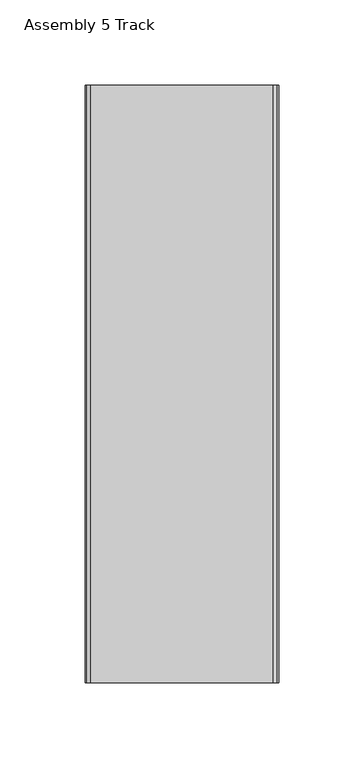
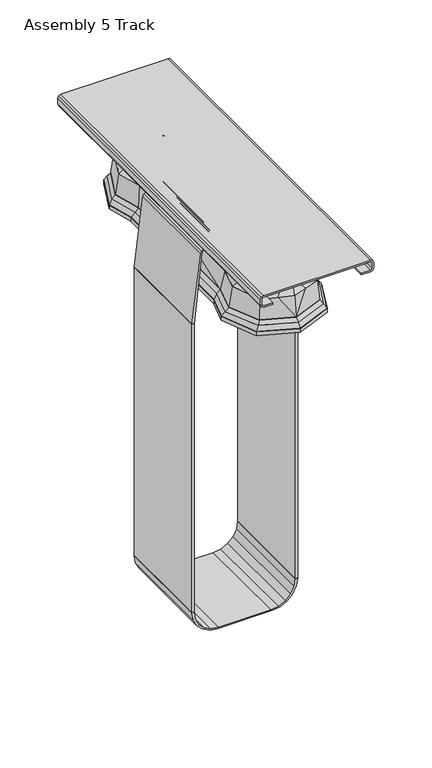
"""IFC4 building model written with IfcOpenShell, lengths in millimetres: furniture geometry, Assembly 5 Track."""

from ifc_helpers import new_model, si_unit, point, frame, frame_2d, origin, origin_2d, place, context, project, spatial, polyline, circle_curve, trimmed, segment, composite_curve, outline, extrude, faceted_brep, source, transform, mapped, element, save
from ifc_brep_helpers import plane_surface, spline_surface, advanced_brep


def assembly_5_track_8673b42d(model_context):
    return source(origin(), model_context, "Body", "SolidModel", [
        advanced_brep(
        [(-17.2873897, -117.3429758, 667.74666), (-4.8963072, -124.2971026, 667.74666), (4.8963072, -124.2971026, 667.74666), (17.2873897, -117.3429758, 667.74666), (24.3267209, -99.6999939, 667.74666), (30.2100866, -74.7228336, 667.74666), (30.2100866, 0.0, 667.74666), (30.2100866, 74.7228336, 667.74666), (24.3267209, 99.6999939, 667.74666), (17.2873897, 117.3429758, 667.74666), (4.8963072, 124.2971026, 667.74666), (-4.8963072, 124.2971026, 667.74666), (-17.2873897, 117.3429758, 667.74666), (-24.3267209, 99.6999939, 667.74666), (-30.2100866, 74.7228336, 667.74666), (-30.2100866, 0.0, 667.74666), (-30.2100866, -74.7228336, 667.74666), (-24.3267209, -99.6999939, 667.74666), (-28.5698871, -126.5841996, 659.1214921), (-39.8376291, -97.9798772, 659.1214921), (-33.3850866, -74.2980338, 659.1214921), (-33.3850866, 0.0, 659.1214921), (-33.3850866, 74.2980338, 659.1214921), (-39.8376291, 97.9798772, 659.1214921), (-28.5698871, 126.5841996, 659.1214921), (-13.8886918, 132.4223788, 659.1214921), (0.0, 136.9559961, 659.1214921), (13.8886918, 132.4223788, 659.1214921), (28.5698871, 126.5841996, 659.1214921), (39.8376291, 97.9798772, 659.1214921), (33.3850866, 74.2980338, 659.1214921), (33.3850866, 0.0, 659.1214921), (33.3850866, -74.2980338, 659.1214921), (39.8376291, -97.9798772, 659.1214921), (28.5698871, -126.5841996, 659.1214921), (13.8886918, -132.4223788, 659.1214921), (0.0, -136.9559961, 659.1214921), (-13.8886918, -132.4223788, 659.1214921)],
        [
            (0, 1),
            (1, 2),
            (2, 3),
            (3, 4),
            (4, 5),
            (5, 6),
            (6, 7),
            (7, 8),
            (8, 9),
            (9, 10),
            (10, 11),
            (11, 12),
            (12, 13),
            (13, 14),
            (14, 15),
            (15, 16),
            (16, 17),
            (17, 0),
            (18, 19),
            (19, 20),
            (20, 21),
            (21, 22),
            (22, 23),
            (23, 24),
            (24, 25),
            (25, 26),
            (26, 27),
            (27, 28),
            (28, 29),
            (29, 30),
            (30, 31),
            (31, 32),
            (32, 33),
            (33, 34),
            (34, 35),
            (35, 36),
            (36, 37),
            (37, 18),
            (26, 10),
            (10, 27),
            (35, 2),
            (2, 36),
            (37, 1),
            (0, 18),
            (34, 3),
            (33, 4),
            (32, 5),
            (31, 6),
            (30, 7),
            (29, 8),
            (28, 9),
            (25, 11),
            (24, 12),
            (23, 13),
            (22, 14),
            (21, 15),
            (20, 16),
            (19, 17),
        ],
        [
            plane_surface(frame((0.0, 0.0, 667.74666), z_axis=(0.0, 0.0, 1.0), x_axis=(-0.8720519854537111, -0.4894132555072866, 0.0))),
            plane_surface(frame((0.0, 0.0, 659.1214921), z_axis=(0.0, 0.0, -1.0), x_axis=(-0.8720519854537111, -0.4894132555072866, 0.0))),
            plane_surface(frame((6.9443459, 134.6891874, 659.1214921), z_axis=(0.1968054426729843, 0.6029115340875425, 0.7731528308158078), x_axis=(-0.9506350557655162, 0.3103111192814303, 0.0))),
            plane_surface(frame((6.9443459, -134.6891874, 659.1214921), z_axis=(0.19680544267305358, -0.6029115340874944, 0.7731528308158275), x_axis=(0.9506350557654767, 0.31031111928155136, 0.0))),
            spline_surface(1, 1, [[(-28.5698871, -126.5841996, 659.1214921), (-17.2873897, -117.3429758, 667.74666)], [(-13.8886918, -132.4223788, 659.1214921), (-4.8963072, -124.2971026, 667.74666)]], [2, 2], [2, 2], [0.0, 1.0], [0.0, 1.0]),
            spline_surface(1, 1, [[(-13.8886918, -132.4223788, 659.1214921), (-4.8963072, -124.2971026, 667.74666)], [(0.0, -136.9559961, 659.1214921), (4.8963072, -124.2971026, 667.74666)]], [2, 2], [2, 2], [0.0, 1.0], [0.0, 1.0]),
            spline_surface(1, 1, [[(13.8886918, -132.4223788, 659.1214921), (4.8963072, -124.2971026, 667.74666)], [(28.5698871, -126.5841996, 659.1214921), (17.2873897, -117.3429758, 667.74666)]], [2, 2], [2, 2], [0.0, 1.0], [0.0, 1.0]),
            spline_surface(1, 1, [[(28.5698871, -126.5841996, 659.1214921), (17.2873897, -117.3429758, 667.74666)], [(39.8376291, -97.9798772, 659.1214921), (24.3267209, -99.6999939, 667.74666)]], [2, 2], [2, 2], [0.0, 1.0], [0.0, 1.0]),
            spline_surface(1, 1, [[(39.8376291, -97.9798772, 659.1214921), (24.3267209, -99.6999939, 667.74666)], [(33.3850866, -74.2980338, 659.1214921), (30.2100866, -74.7228336, 667.74666)]], [2, 2], [2, 2], [0.0, 1.0], [0.0, 1.0]),
            plane_surface(frame((33.3850866, -37.1490169, 659.1214921), z_axis=(0.9384381447550459, 0.0, 0.3454473164879234), x_axis=(0.0, 1.0, 0.0))),
            plane_surface(frame((33.3850866, 37.1490169, 659.1214921), z_axis=(0.9384381447550459, 0.0, 0.3454473164879234), x_axis=(0.0, 1.0, 0.0))),
            spline_surface(1, 1, [[(33.3850866, 74.2980338, 659.1214921), (30.2100866, 74.7228336, 667.74666)], [(39.8376291, 97.9798772, 659.1214921), (24.3267209, 99.6999939, 667.74666)]], [2, 2], [2, 2], [0.0, 1.0], [0.0, 1.0]),
            spline_surface(1, 1, [[(39.8376291, 97.9798772, 659.1214921), (24.3267209, 99.6999939, 667.74666)], [(28.5698871, 126.5841996, 659.1214921), (17.2873897, 117.3429758, 667.74666)]], [2, 2], [2, 2], [0.0, 1.0], [0.0, 1.0]),
            spline_surface(1, 1, [[(28.5698871, 126.5841996, 659.1214921), (17.2873897, 117.3429758, 667.74666)], [(13.8886918, 132.4223788, 659.1214921), (4.8963072, 124.2971026, 667.74666)]], [2, 2], [2, 2], [0.0, 1.0], [0.0, 1.0]),
            spline_surface(1, 1, [[(0.0, 136.9559961, 659.1214921), (4.8963072, 124.2971026, 667.74666)], [(-13.8886918, 132.4223788, 659.1214921), (-4.8963072, 124.2971026, 667.74666)]], [2, 2], [2, 2], [0.0, 1.0], [0.0, 1.0]),
            spline_surface(1, 1, [[(-13.8886918, 132.4223788, 659.1214921), (-4.8963072, 124.2971026, 667.74666)], [(-28.5698871, 126.5841996, 659.1214921), (-17.2873897, 117.3429758, 667.74666)]], [2, 2], [2, 2], [0.0, 1.0], [0.0, 1.0]),
            spline_surface(1, 1, [[(-28.5698871, 126.5841996, 659.1214921), (-17.2873897, 117.3429758, 667.74666)], [(-39.8376291, 97.9798772, 659.1214921), (-24.3267209, 99.6999939, 667.74666)]], [2, 2], [2, 2], [0.0, 1.0], [0.0, 1.0]),
            spline_surface(1, 1, [[(-39.8376291, 97.9798772, 659.1214921), (-24.3267209, 99.6999939, 667.74666)], [(-33.3850866, 74.2980338, 659.1214921), (-30.2100866, 74.7228336, 667.74666)]], [2, 2], [2, 2], [0.0, 1.0], [0.0, 1.0]),
            plane_surface(frame((-33.3850866, 37.1490169, 659.1214921), z_axis=(-0.9384381447550442, 0.0, 0.34544731648792826), x_axis=(0.0, -1.0, 0.0))),
            plane_surface(frame((-33.3850866, -37.1490169, 659.1214921), z_axis=(-0.9384381447550442, 0.0, 0.34544731648792826), x_axis=(0.0, -1.0, 0.0))),
            spline_surface(1, 1, [[(-33.3850866, -74.2980338, 659.1214921), (-30.2100866, -74.7228336, 667.74666)], [(-39.8376291, -97.9798772, 659.1214921), (-24.3267209, -99.6999939, 667.74666)]], [2, 2], [2, 2], [0.0, 1.0], [0.0, 1.0]),
            spline_surface(1, 1, [[(-39.8376291, -97.9798772, 659.1214921), (-24.3267209, -99.6999939, 667.74666)], [(-28.5698871, -126.5841996, 659.1214921), (-17.2873897, -117.3429758, 667.74666)]], [2, 2], [2, 2], [0.0, 1.0], [0.0, 1.0]),
        ],
        [
            (0, [[1, 2, 3, 4, 5, 6, 7, 8, 9, 10, 11, 12, 13, 14, 15, 16, 17, 18]]),
            (1, [[19, 20, 21, 22, 23, 24, 25, 26, 27, 28, 29, 30, 31, 32, 33, 34, 35, 36, 37, 38]]),
            (2, [[-27, 39, 40]]),
            (3, [[-36, 41, 42]]),
            (4, [[-38, 43, -1, 44]]),
            (5, [[-37, -42, -2, -43]]),
            (6, [[-35, 45, -3, -41]]),
            (7, [[-34, 46, -4, -45]]),
            (8, [[-33, 47, -5, -46]]),
            (9, [[-32, 48, -6, -47]]),
            (10, [[-31, 49, -7, -48]]),
            (11, [[-30, 50, -8, -49]]),
            (12, [[-29, 51, -9, -50]]),
            (13, [[-28, -40, -10, -51]]),
            (14, [[-26, 52, -11, -39]]),
            (15, [[-25, 53, -12, -52]]),
            (16, [[-24, 54, -13, -53]]),
            (17, [[-23, 55, -14, -54]]),
            (18, [[-22, 56, -15, -55]]),
            (19, [[-21, 57, -16, -56]]),
            (20, [[-20, 58, -17, -57]]),
            (21, [[-19, -44, -18, -58]]),
        ],
    ),
        extrude(outline(polyline([(-17.0268792, 17.058371), (-0.0310427, 24.0982768), (16.9647937, 17.058371), (24.0046995, 0.0625346), (16.9647937, -16.9333019), (-0.0310427, -23.9732076), (-17.0268792, -16.9333019), (-24.0667849, 0.0625346), (-17.0268792, 17.058371)])), frame((0.0, 0.0, 676.3229135), z_axis=(0.0, 0.0, 1.0), x_axis=(1.0, 0.0, 0.0)), (0.0, 0.0, 1.0), 3.7426452),
        advanced_brep(
        [(-12.2215775, 92.9573778, 671.6981426), (-3.2362175, 98.000144, 671.6981426), (3.2362175, 98.000144, 671.6981426), (12.2215775, 92.9573778, 671.6981426), (18.2540278, 77.8379852, 671.6981426), (24.9849067, 49.262804, 671.6981426), (24.9849067, 0.0, 671.6981426), (24.9849067, -49.262804, 671.6981426), (18.2540278, -77.8379852, 671.6981426), (12.2215775, -92.9573778, 671.6981426), (3.2362175, -98.000144, 671.6981426), (-3.2362175, -98.000144, 671.6981426), (-12.2215775, -92.9573778, 671.6981426), (-18.2540278, -77.8379852, 671.6981426), (-25.1098867, -48.7322156, 671.6981426), (-25.1098867, 0.0, 671.6981426), (-25.1098867, 48.7322156, 671.6981426), (-18.2540278, 77.8379852, 671.6981426), (-17.0268792, 17.058371, 676.3229135), (-24.0667849, 0.0625346, 676.3229135), (-17.0268792, -16.9333019, 676.3229135), (-0.0310427, -23.9732076, 676.3229135), (16.9647937, -16.9333019, 676.3229135), (24.0046995, 0.0625346, 676.3229135), (16.9647937, 17.058371, 676.3229135), (-0.0310427, 24.0982768, 676.3229135)],
        [
            (0, 1),
            (1, 2),
            (2, 3),
            (3, 4),
            (4, 5),
            (5, 6),
            (6, 7),
            (7, 8),
            (8, 9),
            (9, 10),
            (10, 11),
            (11, 12),
            (12, 13),
            (13, 14),
            (14, 15),
            (15, 16),
            (16, 17),
            (17, 0),
            (18, 19),
            (19, 20),
            (20, 21),
            (21, 22),
            (22, 23),
            (23, 24),
            (24, 25),
            (25, 18),
            (6, 23),
            (23, 7),
            (23, 8),
            (22, 9),
            (21, 10),
            (21, 11),
            (20, 12),
            (19, 13),
            (19, 14),
            (19, 15),
            (25, 1),
            (0, 18),
            (25, 2),
            (24, 3),
            (23, 4),
            (23, 5),
            (19, 16),
            (19, 17),
        ],
        [
            plane_surface(frame((-0.02083, 0.0, 671.6981426), z_axis=(0.0, 0.0, -1.0), x_axis=(0.2292751653209322, -0.9733616483954252, 0.0))),
            plane_surface(frame((-0.0310427, 0.0625346, 676.3229135), z_axis=(0.0, 0.0, 1.0), x_axis=(0.2292751653209322, -0.9733616483954252, 0.0))),
            plane_surface(frame((24.0046995, 0.0625346, 676.3229135), z_axis=(0.9782686660565723, 0.0, 0.20734130560960282), x_axis=(0.0, -1.0, 0.0))),
            plane_surface(frame((24.0046995, 0.0625346, 676.3229135), z_axis=(0.34346769085420936, -0.08090375425496898, 0.9356733018990812), x_axis=(-0.2292751653209367, -0.973361648395424, 0.0))),
            spline_surface(1, 1, [[(24.0046995, 0.0625346, 676.3229135), (18.2540278, -77.8379852, 671.6981426)], [(16.9647937, -16.9333019, 676.3229135), (12.2215775, -92.9573778, 671.6981426)]], [2, 2], [2, 2], [0.0, 1.0], [0.0, 1.0]),
            spline_surface(1, 1, [[(16.9647937, -16.9333019, 676.3229135), (12.2215775, -92.9573778, 671.6981426)], [(-0.0310427, -23.9732076, 676.3229135), (3.2362175, -98.000144, 671.6981426)]], [2, 2], [2, 2], [0.0, 1.0], [0.0, 1.0]),
            plane_surface(frame((-0.0310427, -23.9732076, 676.3229135), z_axis=(0.0, -0.06235259879274023, 0.9980541836111864), x_axis=(-1.0, 0.0, 0.0))),
            spline_surface(1, 1, [[(-0.0310427, -23.9732076, 676.3229135), (-3.2362175, -98.000144, 671.6981426)], [(-17.0268792, -16.9333019, 676.3229135), (-12.2215775, -92.9573778, 671.6981426)]], [2, 2], [2, 2], [0.0, 1.0], [0.0, 1.0]),
            spline_surface(1, 1, [[(-17.0268792, -16.9333019, 676.3229135), (-12.2215775, -92.9573778, 671.6981426)], [(-24.0667849, 0.0625346, 676.3229135), (-18.2540278, -77.8379852, 671.6981426)]], [2, 2], [2, 2], [0.0, 1.0], [0.0, 1.0]),
            plane_surface(frame((-24.0667849, 0.0625346, 676.3229135), z_axis=(-0.3449554713380619, -0.08125420068663781, 0.9350954377306689), x_axis=(-0.2292751653209322, 0.9733616483954252, 0.0))),
            plane_surface(frame((-24.0667849, 0.0625346, 676.3229135), z_axis=(-0.9754954124755818, 0.0, 0.22001977238215342), x_axis=(0.0, 1.0, 0.0))),
            spline_surface(1, 1, [[(-17.0268792, 17.058371, 676.3229135), (-12.2215775, 92.9573778, 671.6981426)], [(-0.0310427, 24.0982768, 676.3229135), (-3.2362175, 98.000144, 671.6981426)]], [2, 2], [2, 2], [0.0, 1.0], [0.0, 1.0]),
            plane_surface(frame((-0.0310427, 24.0982768, 676.3229135), z_axis=(0.0, 0.062457711032967066, 0.9980476112553561), x_axis=(1.0, 0.0, 0.0))),
            spline_surface(1, 1, [[(-0.0310427, 24.0982768, 676.3229135), (3.2362175, 98.000144, 671.6981426)], [(16.9647937, 17.058371, 676.3229135), (12.2215775, 92.9573778, 671.6981426)]], [2, 2], [2, 2], [0.0, 1.0], [0.0, 1.0]),
            spline_surface(1, 1, [[(16.9647937, 17.058371, 676.3229135), (12.2215775, 92.9573778, 671.6981426)], [(24.0046995, 0.0625346, 676.3229135), (18.2540278, 77.8379852, 671.6981426)]], [2, 2], [2, 2], [0.0, 1.0], [0.0, 1.0]),
            plane_surface(frame((24.0046995, 0.0625346, 676.3229135), z_axis=(0.34417216535329037, 0.0810696930994949, 0.9354000349886573), x_axis=(0.229275165320935, -0.9733616483954245, 0.0))),
            plane_surface(frame((24.0046995, 0.0625346, 676.3229135), z_axis=(0.9782686660565724, 0.0, 0.20734130560960284), x_axis=(0.0, -1.0, 0.0))),
            plane_surface(frame((-24.0667849, 0.0625346, 676.3229135), z_axis=(-0.9754954124755818, 0.0, 0.2200197723821534), x_axis=(0.0, 1.0, 0.0))),
            plane_surface(frame((-24.0667849, 0.0625346, 676.3229135), z_axis=(-0.34566562725375377, 0.08142147778785057, 0.9348186011682222), x_axis=(0.22927516532093598, 0.9733616483954243, 0.0))),
            spline_surface(1, 1, [[(-24.0667849, 0.0625346, 676.3229135), (-18.2540278, 77.8379852, 671.6981426)], [(-17.0268792, 17.058371, 676.3229135), (-12.2215775, 92.9573778, 671.6981426)]], [2, 2], [2, 2], [0.0, 1.0], [0.0, 1.0]),
        ],
        [
            (0, [[1, 2, 3, 4, 5, 6, 7, 8, 9, 10, 11, 12, 13, 14, 15, 16, 17, 18]]),
            (1, [[19, 20, 21, 22, 23, 24, 25, 26]]),
            (2, [[-7, 27, 28]]),
            (3, [[-8, -28, 29]]),
            (4, [[-23, 30, -9, -29]]),
            (5, [[-22, 31, -10, -30]]),
            (6, [[-11, -31, 32]]),
            (7, [[-21, 33, -12, -32]]),
            (8, [[-20, 34, -13, -33]]),
            (9, [[-14, -34, 35]]),
            (10, [[-15, -35, 36]]),
            (11, [[-26, 37, -1, 38]]),
            (12, [[-2, -37, 39]]),
            (13, [[-25, 40, -3, -39]]),
            (14, [[-24, 41, -4, -40]]),
            (15, [[-5, -41, 42]]),
            (16, [[-6, -42, -27]]),
            (17, [[-16, -36, 43]]),
            (18, [[-17, -43, 44]]),
            (19, [[-19, -38, -18, -44]]),
        ],
    ),
        faceted_brep([(-24.3267209, 99.6999939, 667.74666), (-17.2873897, 117.3429758, 667.74666), (-4.8963072, 124.2971026, 667.74666), (4.8963072, 124.2971026, 667.74666), (17.2873897, 117.3429758, 667.74666), (24.3267209, 99.6999939, 667.74666), (30.2100866, 74.7228336, 667.74666), (30.2100866, 0.0, 667.74666), (30.2100866, -74.7228336, 667.74666), (24.3267209, -99.6999939, 667.74666), (17.2873897, -117.3429758, 667.74666), (4.8963072, -124.2971026, 667.74666), (-4.8963072, -124.2971026, 667.74666), (-17.2873897, -117.3429758, 667.74666), (-24.3267209, -99.6999939, 667.74666), (-30.2100866, -74.7228336, 667.74666), (-30.2100866, 0.0, 667.74666), (-30.2100866, 74.7228336, 667.74666), (-18.2540278, 77.8379852, 671.6981426), (-25.1098867, 48.7322156, 671.6981426), (-25.1098867, 0.0, 671.6981426), (-25.1098867, -48.7322156, 671.6981426), (-18.2540278, -77.8379852, 671.6981426), (-12.2215775, -92.9573778, 671.6981426), (-3.2362175, -98.000144, 671.6981426), (3.2362175, -98.000144, 671.6981426), (12.2215775, -92.9573778, 671.6981426), (18.2540278, -77.8379852, 671.6981426), (24.9849067, -49.262804, 671.6981426), (24.9849067, 0.0, 671.6981426), (24.9849067, 49.262804, 671.6981426), (18.2540278, 77.8379852, 671.6981426), (12.2215775, 92.9573778, 671.6981426), (3.2362175, 98.000144, 671.6981426), (-3.2362175, 98.000144, 671.6981426), (-12.2215775, 92.9573778, 671.6981426)], [[[0, 1, 2, 3, 4, 5, 6, 7, 8, 9, 10, 11, 12, 13, 14, 15, 16, 17]], [[18, 19, 20, 21, 22, 23, 24, 25, 26, 27, 28, 29, 30, 31, 32, 33, 34, 35]], [[18, 35, 1, 0]], [[35, 34, 2, 1]], [[34, 33, 3, 2]], [[33, 32, 4, 3]], [[32, 31, 5, 4]], [[31, 30, 6, 5]], [[30, 29, 7, 6]], [[29, 28, 8, 7]], [[28, 27, 9, 8]], [[27, 26, 10, 9]], [[26, 25, 11, 10]], [[25, 24, 12, 11]], [[24, 23, 13, 12]], [[23, 22, 14, 13]], [[22, 21, 15, 14]], [[21, 20, 16, 15]], [[20, 19, 17, 16]], [[19, 18, 0, 17]]]),
        faceted_brep([(-30.3022334, 128.1602075, 638.3884218), (-43.4431033, 98.1638447, 638.3884218), (-36.1041447, 71.2287153, 638.3884218), (-36.1041447, -71.2287153, 638.3884218), (-43.4220932, -98.0867346, 638.3884218), (-30.3022334, -128.0351384, 638.3884218), (-0.0310427, -140.3357292, 638.3884218), (30.2401479, -128.0351384, 638.3884218), (43.3982859, -97.999358, 638.3884218), (36.1041447, -71.2287153, 638.3884218), (36.1041447, 71.2287153, 638.3884218), (43.4192959, 98.0764681, 638.3884218), (30.2401479, 128.1602075, 638.3884218), (-0.0310427, 140.4607984, 638.3884218), (-32.6927164, 130.6159575, 634.9820621), (-0.0310427, 143.8879126, 634.9820621), (32.630631, 130.6159575, 634.9820621), (46.7773601, 98.3235426, 634.9820621), (39.2791447, 70.8039155, 634.9820621), (39.2791447, -70.8039155, 634.9820621), (46.7563501, -98.2464326, 634.9820621), (32.630631, -130.4908883, 634.9820621), (-0.0310427, -143.7628435, 634.9820621), (-32.6927164, -130.4908883, 634.9820621), (-46.7801574, -98.3338092, 634.9820621), (-39.2791447, -70.8039155, 634.9820621), (-39.2791447, 70.8039155, 634.9820621), (-46.8011675, 98.4109192, 634.9820621)], [[[0, 1, 2, 3, 4, 5, 6, 7, 8, 9, 10, 11, 12, 13]], [[14, 15, 16, 17, 18, 19, 20, 21, 22, 23, 24, 25, 26, 27]], [[14, 27, 1, 0]], [[27, 26, 2, 1]], [[26, 25, 3, 2]], [[25, 24, 4, 3]], [[24, 23, 5, 4]], [[23, 22, 6, 5]], [[22, 21, 7, 6]], [[21, 20, 8, 7]], [[20, 19, 9, 8]], [[19, 18, 10, 9]], [[18, 17, 11, 10]], [[17, 16, 12, 11]], [[16, 15, 13, 12]], [[15, 14, 0, 13]]]),
        advanced_brep(
        [(-28.5698871, 126.5841996, 659.1214921), (-39.8376291, 97.9798772, 659.1214921), (-33.3850866, 74.2980338, 659.1214921), (-33.3850866, 0.0, 659.1214921), (-33.3850866, -74.2980338, 659.1214921), (-39.8376291, -97.9798772, 659.1214921), (-28.5698871, -126.5841996, 659.1214921), (-13.8886918, -132.4223788, 659.1214921), (0.0, -136.9559961, 659.1214921), (13.8886918, -132.4223788, 659.1214921), (28.5698871, -126.5841996, 659.1214921), (39.8376291, -97.9798772, 659.1214921), (33.3850866, -74.2980338, 659.1214921), (33.3850866, 0.0, 659.1214921), (33.3850866, 74.2980338, 659.1214921), (39.8376291, 97.9798772, 659.1214921), (28.5698871, 126.5841996, 659.1214921), (13.8886918, 132.4223788, 659.1214921), (0.0, 136.9559961, 659.1214921), (-13.8886918, 132.4223788, 659.1214921), (-30.3022334, 128.1602075, 638.3884218), (-0.0310427, 140.4607984, 638.3884218), (30.2401479, 128.1602075, 638.3884218), (43.4192959, 98.0764681, 638.3884218), (36.1041447, 71.2287153, 638.3884218), (36.1041447, -71.2287153, 638.3884218), (43.3982859, -97.999358, 638.3884218), (30.2401479, -128.0351384, 638.3884218), (-0.0310427, -140.3357292, 638.3884218), (-30.3022334, -128.0351384, 638.3884218), (-43.4220932, -98.0867346, 638.3884218), (-36.1041447, -71.2287153, 638.3884218), (-36.1041447, 71.2287153, 638.3884218), (-43.4431033, 98.1638447, 638.3884218)],
        [
            (0, 1),
            (1, 2),
            (2, 3),
            (3, 4),
            (4, 5),
            (5, 6),
            (6, 7),
            (7, 8),
            (8, 9),
            (9, 10),
            (10, 11),
            (11, 12),
            (12, 13),
            (13, 14),
            (14, 15),
            (15, 16),
            (16, 17),
            (17, 18),
            (18, 19),
            (19, 0),
            (20, 21),
            (21, 22),
            (22, 23),
            (23, 24),
            (24, 25),
            (25, 26),
            (26, 27),
            (27, 28),
            (28, 29),
            (29, 30),
            (30, 31),
            (31, 32),
            (32, 33),
            (33, 20),
            (3, 31),
            (31, 4),
            (13, 24),
            (24, 14),
            (33, 1),
            (0, 20),
            (32, 2),
            (30, 5),
            (29, 6),
            (26, 11),
            (10, 27),
            (25, 12),
            (23, 15),
            (22, 16),
            (28, 7),
            (9, 28),
            (21, 17),
            (21, 18),
            (21, 19),
            (28, 8),
        ],
        [
            plane_surface(frame((0.0, 0.0, 659.1214921), z_axis=(0.0, 0.0, 1.0000000000000002), x_axis=(-0.3665068524257719, -0.9304153519396343, 0.0))),
            plane_surface(frame((-0.0167051, 0.0378163, 638.3884218), z_axis=(0.0, 0.0, -1.0000000000000002), x_axis=(-0.3665068524257719, -0.9304153519396343, 0.0))),
            plane_surface(frame((-36.1041447, -71.2287153, 638.3884218), z_axis=(-0.9915097347592615, 0.0, 0.1300324800871651), x_axis=(0.0, -1.0, 0.0))),
            plane_surface(frame((36.1041447, 71.2287153, 638.3884218), z_axis=(0.9915097347592604, 0.0, 0.13003248008717344), x_axis=(0.0, 1.0, 0.0))),
            spline_surface(1, 1, [[(-30.3022334, 128.1602075, 638.3884218), (-28.5698871, 126.5841996, 659.1214921)], [(-43.4431033, 98.1638447, 638.3884218), (-39.8376291, 97.9798772, 659.1214921)]], [2, 2], [2, 2], [0.0, 1.0], [0.0, 1.0]),
            plane_surface(frame((-39.773624, 84.69628, 638.3884218), z_axis=(-0.9518868548283684, -0.2593586276510339, 0.16323148552877023), x_axis=(0.262884487639199, -0.964827314164911, 0.0))),
            plane_surface(frame((-36.1041447, 0.0, 638.3884218), z_axis=(-0.9915097347592615, 0.0, 0.13003248008716511), x_axis=(0.0, -1.0, 0.0))),
            plane_surface(frame((-39.763119, -84.657725, 638.3884218), z_axis=(-0.9518868548283698, 0.2593586276510342, 0.16323148552876188), x_axis=(-0.26288448763919897, -0.9648273141649111, 0.0))),
            spline_surface(1, 1, [[(-43.4220932, -98.0867346, 638.3884218), (-39.8376291, -97.9798772, 659.1214921)], [(-30.3022334, -128.0351384, 638.3884218), (-28.5698871, -126.5841996, 659.1214921)]], [2, 2], [2, 2], [0.0, 1.0], [0.0, 1.0]),
            spline_surface(1, 1, [[(30.2401479, -128.0351384, 638.3884218), (28.5698871, -126.5841996, 659.1214921)], [(43.3982859, -97.999358, 638.3884218), (39.8376291, -97.9798772, 659.1214921)]], [2, 2], [2, 2], [0.0, 1.0], [0.0, 1.0]),
            plane_surface(frame((39.7512153, -84.6140367, 638.3884218), z_axis=(0.951886854828366, 0.259358627651033, 0.16323148552878566), x_axis=(-0.2628844876391988, 0.9648273141649111, 0.0))),
            plane_surface(frame((36.1041447, 0.0, 638.3884218), z_axis=(0.9915097347592604, 0.0, 0.13003248008717344), x_axis=(0.0, 1.0, 0.0))),
            plane_surface(frame((39.7617203, 84.6525917, 638.3884218), z_axis=(0.9518868548283688, -0.259358627651034, 0.16323148552876765), x_axis=(0.262884487639199, 0.964827314164911, 0.0))),
            spline_surface(1, 1, [[(43.4192959, 98.0764681, 638.3884218), (39.8376291, 97.9798772, 659.1214921)], [(30.2401479, 128.1602075, 638.3884218), (28.5698871, 126.5841996, 659.1214921)]], [2, 2], [2, 2], [0.0, 1.0], [0.0, 1.0]),
            spline_surface(1, 1, [[(-30.3022334, -128.0351384, 638.3884218), (-28.5698871, -126.5841996, 659.1214921)], [(-0.0310427, -140.3357292, 638.3884218), (-13.8886918, -132.4223788, 659.1214921)]], [2, 2], [2, 2], [0.0, 1.0], [0.0, 1.0]),
            spline_surface(1, 1, [[(-0.0310427, -140.3357292, 638.3884218), (13.8886918, -132.4223788, 659.1214921)], [(30.2401479, -128.0351384, 638.3884218), (28.5698871, -126.5841996, 659.1214921)]], [2, 2], [2, 2], [0.0, 1.0], [0.0, 1.0]),
            spline_surface(1, 1, [[(30.2401479, 128.1602075, 638.3884218), (28.5698871, 126.5841996, 659.1214921)], [(-0.0310427, 140.4607984, 638.3884218), (13.8886918, 132.4223788, 659.1214921)]], [2, 2], [2, 2], [0.0, 1.0], [0.0, 1.0]),
            plane_surface(frame((-0.0310427, 140.4607984, 638.3884218), z_axis=(0.30640258609796267, 0.9386613028773333, 0.15821635096635253), x_axis=(-0.9506350557655463, 0.31031111928133803, 0.0))),
            plane_surface(frame((-0.0310427, 140.4607984, 638.3884218), z_axis=(-0.30635798711353374, 0.9385246743280923, 0.15911071431268356), x_axis=(-0.9506350557655491, -0.31031111928132943, 0.0))),
            spline_surface(1, 1, [[(-0.0310427, 140.4607984, 638.3884218), (-13.8886918, 132.4223788, 659.1214921)], [(-30.3022334, 128.1602075, 638.3884218), (-28.5698871, 126.5841996, 659.1214921)]], [2, 2], [2, 2], [0.0, 1.0], [0.0, 1.0]),
            plane_surface(frame((-0.0310427, -140.3357292, 638.3884218), z_axis=(-0.306629406970243, -0.9393561663845429, 0.15358515376302534), x_axis=(0.9506350557655779, -0.3103111192812409, 0.0))),
            plane_surface(frame((-0.0310427, -140.3357292, 638.3884218), z_axis=(0.3066725285262527, -0.9394882688454245, 0.15268841786180945), x_axis=(0.9506350557654819, 0.31031111928153526, 0.0))),
        ],
        [
            (0, [[1, 2, 3, 4, 5, 6, 7, 8, 9, 10, 11, 12, 13, 14, 15, 16, 17, 18, 19, 20]]),
            (1, [[21, 22, 23, 24, 25, 26, 27, 28, 29, 30, 31, 32, 33, 34]]),
            (2, [[-4, 35, 36]]),
            (3, [[-14, 37, 38]]),
            (4, [[-34, 39, -1, 40]]),
            (5, [[-33, 41, -2, -39]]),
            (6, [[-32, -35, -3, -41]]),
            (7, [[-31, 42, -5, -36]]),
            (8, [[-30, 43, -6, -42]]),
            (9, [[-27, 44, -11, 45]]),
            (10, [[-26, 46, -12, -44]]),
            (11, [[-25, -37, -13, -46]]),
            (12, [[-24, 47, -15, -38]]),
            (13, [[-23, 48, -16, -47]]),
            (14, [[-29, 49, -7, -43]]),
            (15, [[-28, -45, -10, 50]]),
            (16, [[-22, 51, -17, -48]]),
            (17, [[-18, -51, 52]]),
            (18, [[-19, -52, 53]]),
            (19, [[-21, -40, -20, -53]]),
            (20, [[-8, -49, 54]]),
            (21, [[-9, -54, -50]]),
        ],
    ),
        extrude(outline(composite_curve([segment(trimmed(circle_curve(origin_2d(), 15.8750001), [point((15.8750001, 0.0))], [point((-15.8750001, 0.0))], False, "CARTESIAN"), True, "CONTINUOUS"), segment(trimmed(circle_curve(origin_2d(), 15.8750001), [point((-15.8750001, 0.0))], [point((15.8750001, 0.0))], False, "CARTESIAN"), True, "CONTINUOUS")], self_intersect=False)), frame((0.0, 0.0, 680.0655587), z_axis=(0.0, 0.0, 1.0), x_axis=(1.0, 0.0, 0.0)), (0.0, 0.0, 1.0), 5.0194418),
        extrude(outline(composite_curve([segment(trimmed(circle_curve(frame_2d((696.4103179, -42.8480782)), 3.0000007), [point((697.9103185, -40.2500015))], [point((699.0083946, -44.3480788))], False, "CARTESIAN"), True, "CONTINUOUS"), segment(polyline([(699.0083946, -44.3480788), (694.5083947, -52.1423051), (692.7763432, -51.1423044), (697.2763433, -43.3480763)]), True, "CONTINUOUS"), segment(trimmed(circle_curve(frame_2d((696.4103169, -42.8480756)), 1.0000012), [point((697.2763433, -43.3480763))], [point((696.9103174, -41.9820492))], True, "CARTESIAN"), True, "CONTINUOUS"), segment(polyline([(696.9103174, -41.9820492), (686.5849997, -36.0207256)]), True, "CONTINUOUS"), segment(trimmed(circle_curve(frame_2d((688.0849985, -33.4226509)), 2.9999981), [point((686.5849997, -36.0207256))], [point((685.0850004, -33.4226509))], False, "CARTESIAN"), True, "CONTINUOUS"), segment(polyline([(685.0850004, -33.4226509), (685.0850004, 33.4226527)]), True, "CONTINUOUS"), segment(trimmed(circle_curve(frame_2d((688.0849993, 33.4226527)), 2.9999989), [point((685.0850004, 33.4226527))], [point((686.5849997, 36.0207278))], False, "CARTESIAN"), True, "CONTINUOUS"), segment(polyline([(686.5849997, 36.0207278), (696.910319, 41.9820546)]), True, "CONTINUOUS"), segment(trimmed(circle_curve(frame_2d((696.4103203, 42.8480776)), 0.9999973), [point((696.910319, 41.9820546))], [point((697.2763433, 43.3480763))], True, "CARTESIAN"), True, "CONTINUOUS"), segment(polyline([(697.2763433, 43.3480763), (692.7763432, 51.1423044), (694.5083947, 52.1423051), (699.0083936, 44.3480805)]), True, "CONTINUOUS"), segment(trimmed(circle_curve(frame_2d((696.4103153, 42.8480789)), 3.0000026), [point((699.0083936, 44.3480805))], [point((697.9103168, 40.2500005))], False, "CARTESIAN"), True, "CONTINUOUS"), segment(polyline([(697.9103168, 40.2500005), (687.5850004, 34.2886754)]), True, "CONTINUOUS"), segment(trimmed(circle_curve(frame_2d((688.0850011, 33.4226489)), 1.0000013), [point((687.5850004, 34.2886754))], [point((687.0849998, 33.4226489))], True, "CARTESIAN"), True, "CONTINUOUS"), segment(polyline([(687.0849998, 33.4226489), (687.0849998, -33.4226494)]), True, "CONTINUOUS"), segment(trimmed(circle_curve(frame_2d((688.0850002, -33.4226494)), 1.0000004), [point((687.0849998, -33.4226494))], [point((687.585, -34.2886751))], True, "CARTESIAN"), True, "CONTINUOUS"), segment(polyline([(687.585, -34.2886751), (697.9103185, -40.2500015)]), True, "CONTINUOUS")], self_intersect=False)), frame((0.0, -50.038, 0.0), z_axis=(0.0, 1.0, 0.0), x_axis=(0.0, 0.0, 1.0)), (0.0, 0.0, 1.0), 100.2147529),
        extrude(outline(polyline([(290.1327691, -50.6309578), (290.1327691, -52.8228583), (282.2836842, -51.5796975), (275.2030118, -47.9718917), (269.5837327, -42.3526081), (265.975886, -35.2718925), (264.7327206, -27.4228598), (264.7327206, 27.3387231), (265.975886, 35.1877557), (269.5837327, 42.2684713), (275.2030118, 47.887755), (282.2836842, 51.4955607), (290.1327691, 52.7387216), (290.1327691, 50.546821), (282.5039469, 49.5232928), (275.6067662, 46.1128633), (270.1641478, 40.674051), (266.7489493, 33.7792184), (265.7233578, 26.174964), (265.7233578, -26.2591007), (266.7489493, -33.8633552), (270.1641478, -40.7581878), (275.6067662, -46.197), (282.5039469, -49.6074296), (290.1327691, -50.6309578)])), frame((0.0, -51.001477, 0.0), z_axis=(0.0, 1.0, 0.0), x_axis=(0.0, 0.0, 1.0)), (0.0, 0.0, 1.0), 100.0000008),
        extrude(outline(polyline([(-50.6305775, -51.001477), (-52.8228583, -51.001477), (-52.8228583, 48.9985238), (-50.6305775, 48.9985238), (-50.6305775, -51.001477)])), frame((0.0, 0.0, 290.1327691), z_axis=(0.0, 0.0, 1.0), x_axis=(1.0, 0.0, 0.0)), (0.0, 0.0, 1.0), 304.8),
        extrude(outline(polyline([(52.7387216, -51.001477), (50.5464408, -51.001477), (50.5464408, 48.9985238), (52.7387216, 48.9985238), (52.7387216, -51.001477)])), frame((0.0, 0.0, 290.1327691), z_axis=(0.0, 0.0, 1.0), x_axis=(1.0, 0.0, 0.0)), (0.0, 0.0, 1.0), 304.7972022),
        extrude(outline(polyline([(668.8148646, -38.5681143), (657.7326513, -18.9221989), (658.4667026, -18.1881476), (669.6858438, -38.0767971), (670.1625249, -40.6021108), (669.0043561, -42.8962567), (666.6894038, -44.0122542), (594.9327691, -52.8228583), (594.9327691, -50.6302803), (666.567534, -43.0197049), (668.3037471, -42.1827102), (669.1723759, -40.462103), (668.8148646, -38.5681143)])), frame((0.0, -51.001477, 0.0), z_axis=(0.0, 1.0, 0.0), x_axis=(0.0, 0.0, 1.0)), (0.0, 0.0, 1.0), 100.0000008),
        extrude(outline(polyline([(666.567534, 42.9355681), (594.9327691, 50.5461435), (594.9327691, 52.7387216), (666.6894038, 43.9281175), (669.0043561, 42.81212), (670.1625249, 40.5179741), (669.6858438, 37.9926604), (658.6036283, 18.3467449), (657.869577, 19.0807962), (668.8148646, 38.4839776), (669.1723759, 40.3779663), (668.3037471, 42.0985734), (666.567534, 42.9355681)])), frame((0.0, -51.001477, 0.0), z_axis=(0.0, 1.0, 0.0), x_axis=(0.0, 0.0, 1.0)), (0.0, 0.0, 1.0), 100.0000008),
        extrude(outline(polyline([(-0.0310427, 146.9590642), (35.2511265, 132.3447037), (49.8654801, 97.0625368), (43.0000007, 71.86515), (43.0000007, -71.7400809), (49.8654801, -96.9374676), (35.2511265, -132.2196345), (-0.0310427, -146.833995), (-35.3132119, -132.2196345), (-49.9275656, -96.9374676), (-43.0310434, -71.6261492), (-43.0310434, 71.7512184), (-49.9275656, 97.0625368), (-35.3132119, 132.3447037), (-0.0310427, 146.9590642)])), frame((0.0, 0.0, 626.0903058), z_axis=(0.0, 0.0, 1.0), x_axis=(1.0, 0.0, 0.0)), (0.0, 0.0, 1.0), 4.1033137),
        advanced_brep(
        [(-46.7801574, -98.3338092, 634.9820621), (-32.6927164, -130.4908883, 634.9820621), (-0.0310427, -143.7628435, 634.9820621), (32.630631, -130.4908883, 634.9820621), (46.7563501, -98.2464326, 634.9820621), (39.2791447, -70.8039155, 634.9820621), (39.2791447, 70.8039155, 634.9820621), (46.7773601, 98.3235426, 634.9820621), (32.630631, 130.6159575, 634.9820621), (-0.0310427, 143.8879126, 634.9820621), (-32.6927164, 130.6159575, 634.9820621), (-46.8011675, 98.4109192, 634.9820621), (-39.2791447, 70.8039155, 634.9820621), (-39.2791447, -70.8039155, 634.9820621), (-49.9275656, -96.9374676, 630.1936195), (-43.0310434, -71.6261492, 630.1936195), (-43.0310434, 71.7512184, 630.1936195), (-49.9275656, 97.0625368, 630.1936195), (-35.3132119, 132.3447037, 630.1936195), (-0.0310427, 146.9590642, 630.1936195), (35.2511265, 132.3447037, 630.1936195), (49.8654801, 97.0625368, 630.1936195), (42.968958, 71.7512184, 630.1936195), (42.968958, -71.6261492, 630.1936195), (49.8654801, -96.9374676, 630.1936195), (35.2511265, -132.2196345, 630.1936195), (-0.0310427, -146.833995, 630.1936195), (-35.3132119, -132.2196345, 630.1936195)],
        [
            (0, 1),
            (1, 2),
            (2, 3),
            (3, 4),
            (4, 5),
            (5, 6),
            (6, 7),
            (7, 8),
            (8, 9),
            (9, 10),
            (10, 11),
            (11, 12),
            (12, 13),
            (13, 0),
            (14, 15),
            (15, 16),
            (16, 17),
            (17, 18),
            (18, 19),
            (19, 20),
            (20, 21),
            (21, 22),
            (22, 23),
            (23, 24),
            (24, 25),
            (25, 26),
            (26, 27),
            (27, 14),
            (27, 1),
            (0, 14),
            (26, 2),
            (25, 3),
            (24, 4),
            (23, 5),
            (22, 6),
            (21, 7),
            (20, 8),
            (19, 9),
            (18, 10),
            (17, 11),
            (16, 12),
            (15, 13),
        ],
        [
            plane_surface(frame((-0.0167051, 0.0378163, 634.9820621), z_axis=(0.0, 0.0, 1.0), x_axis=(-0.4012663150716981, -0.915961431714666, 0.0))),
            plane_surface(frame((-0.0310427, 0.0625346, 630.1936195), z_axis=(0.0, 0.0, -1.0), x_axis=(-0.4012663150716981, -0.915961431714666, 0.0))),
            spline_surface(1, 1, [[(-49.9275656, -96.9374676, 630.1936195), (-46.7801574, -98.3338092, 634.9820621)], [(-35.3132119, -132.2196345, 630.1936195), (-32.6927164, -130.4908883, 634.9820621)]], [2, 2], [2, 2], [0.0, 1.0], [0.0, 1.0]),
            spline_surface(1, 1, [[(-35.3132119, -132.2196345, 630.1936195), (-32.6927164, -130.4908883, 634.9820621)], [(-0.0310427, -146.833995, 630.1936195), (-0.0310427, -143.7628435, 634.9820621)]], [2, 2], [2, 2], [0.0, 1.0], [0.0, 1.0]),
            spline_surface(1, 1, [[(-0.0310427, -146.833995, 630.1936195), (-0.0310427, -143.7628435, 634.9820621)], [(35.2511265, -132.2196345, 630.1936195), (32.630631, -130.4908883, 634.9820621)]], [2, 2], [2, 2], [0.0, 1.0], [0.0, 1.0]),
            spline_surface(1, 1, [[(35.2511265, -132.2196345, 630.1936195), (32.630631, -130.4908883, 634.9820621)], [(49.8654801, -96.9374676, 630.1936195), (46.7563501, -98.2464326, 634.9820621)]], [2, 2], [2, 2], [0.0, 1.0], [0.0, 1.0]),
            plane_surface(frame((46.4172191, -84.2818084, 630.1936195), z_axis=(0.7910400100239565, 0.21553302304386646, 0.5725392724685976), x_axis=(-0.2628844876392024, 0.9648273141649101, 0.0))),
            plane_surface(frame((42.968958, 0.0625346, 630.1936195), z_axis=(0.7921123970996553, 0.0, 0.6103752537259665), x_axis=(0.0, 1.0, 0.0))),
            plane_surface(frame((46.4172191, 84.4068776, 630.1936195), z_axis=(0.793589355005612, -0.2162276377583122, 0.5687367970258623), x_axis=(0.2628844876392024, 0.9648273141649101, 0.0))),
            spline_surface(1, 1, [[(49.8654801, 97.0625368, 630.1936195), (46.7773601, 98.3235426, 634.9820621)], [(35.2511265, 132.3447037, 630.1936195), (32.630631, 130.6159575, 634.9820621)]], [2, 2], [2, 2], [0.0, 1.0], [0.0, 1.0]),
            spline_surface(1, 1, [[(35.2511265, 132.3447037, 630.1936195), (32.630631, 130.6159575, 634.9820621)], [(-0.0310427, 146.9590642, 630.1936195), (-0.0310427, 143.8879126, 634.9820621)]], [2, 2], [2, 2], [0.0, 1.0], [0.0, 1.0]),
            spline_surface(1, 1, [[(-0.0310427, 146.9590642, 630.1936195), (-0.0310427, 143.8879126, 634.9820621)], [(-35.3132119, 132.3447037, 630.1936195), (-32.6927164, 130.6159575, 634.9820621)]], [2, 2], [2, 2], [0.0, 1.0], [0.0, 1.0]),
            spline_surface(1, 1, [[(-35.3132119, 132.3447037, 630.1936195), (-32.6927164, 130.6159575, 634.9820621)], [(-49.9275656, 97.0625368, 630.1936195), (-46.8011675, 98.4109192, 634.9820621)]], [2, 2], [2, 2], [0.0, 1.0], [0.0, 1.0]),
            plane_surface(frame((-46.4793045, 84.4068776, 630.1936195), z_axis=(-0.7889443806039702, -0.2149620312629885, 0.5756371160972058), x_axis=(0.2628844876392024, -0.9648273141649101, 0.0))),
            plane_surface(frame((-43.0310434, 0.0625346, 630.1936195), z_axis=(-0.7871520726608032, 0.0, 0.6167589598099096), x_axis=(0.0, -1.0, 0.0))),
            plane_surface(frame((-46.4793045, -84.2818084, 630.1936195), z_axis=(-0.7863945210950832, 0.21426727635638027, 0.5793731021323423), x_axis=(-0.2628844876392024, -0.9648273141649101, 0.0))),
        ],
        [
            (0, [[1, 2, 3, 4, 5, 6, 7, 8, 9, 10, 11, 12, 13, 14]]),
            (1, [[15, 16, 17, 18, 19, 20, 21, 22, 23, 24, 25, 26, 27, 28]]),
            (2, [[-28, 29, -1, 30]]),
            (3, [[-27, 31, -2, -29]]),
            (4, [[-26, 32, -3, -31]]),
            (5, [[-25, 33, -4, -32]]),
            (6, [[-24, 34, -5, -33]]),
            (7, [[-23, 35, -6, -34]]),
            (8, [[-22, 36, -7, -35]]),
            (9, [[-21, 37, -8, -36]]),
            (10, [[-20, 38, -9, -37]]),
            (11, [[-19, 39, -10, -38]]),
            (12, [[-18, 40, -11, -39]]),
            (13, [[-17, 41, -12, -40]]),
            (14, [[-16, 42, -13, -41]]),
            (15, [[-15, -30, -14, -42]]),
        ],
    ),
        extrude(outline(polyline([(690.9923683, -44.2896756), (690.9923683, -53.5896802), (692.5923683, -55.189678), (698.3923674, -55.189678), (699.52374, -54.7210474), (699.9923686, -53.5896802), (699.9923686, 53.5103186), (699.52374, 54.6416904), (698.3923674, 55.1103255), (692.5923683, 55.1103255), (690.9923683, 53.5103186), (690.9923683, 44.2103231), (689.3923683, 44.2103231), (689.3923683, 53.5103186), (689.8210871, 55.1103255), (690.9923683, 56.2816021), (692.5923683, 56.7103232), (698.3923674, 56.7103232), (700.6551107, 55.7730621), (701.5923677, 53.5103186), (701.5923677, -53.5896802), (700.6551107, -55.8524191), (698.3923674, -56.7896757), (692.5923683, -56.7896757), (690.3296271, -55.8524191), (689.3923683, -53.5896802), (689.3923683, -44.2896756), (690.9923683, -44.2896756)])), frame((0.0, -176.167319, 0.0), z_axis=(0.0, 1.0, 0.0), x_axis=(0.0, 0.0, 1.0)), (0.0, 0.0, 1.0), 350.4871705),
    ])


if __name__ == "__main__":
    model = new_model("IFC4")
    model_context = context("Model", 3, world=origin())
    ifc_project = project(units=[si_unit("LENGTHUNIT", "METRE", prefix="MILLI")], contexts=[model_context])
    site = spatial("IfcSite", under=ifc_project)
    building = spatial("IfcBuilding", under=site)
    placement = place(None, origin())
    assembly_5_track_shape = assembly_5_track_8673b42d(model_context)
    element("IfcFurniture", 1, ObjectType="Assembly 5 Track", at=placement, inside=building, context=model_context, shape_type="MappedRepresentation", body=[
        mapped(assembly_5_track_shape, transform((0.0, 0.0, 0.0), x_axis=(1.0, 0.0, 0.0), y_axis=(0.0, 1.0, 0.0), z_axis=(0.0, 0.0, 1.0))),
    ])
    save(model, "model.ifc")
